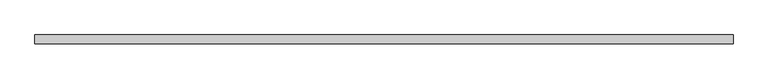
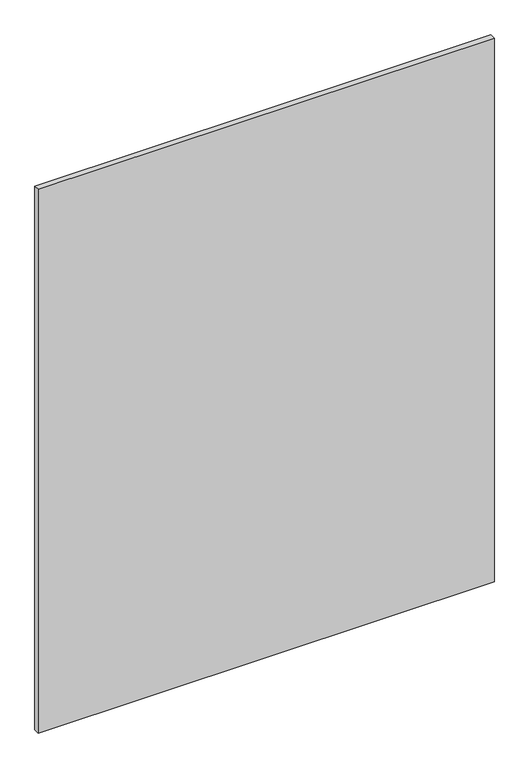
"""IFC4 building model written with IfcOpenShell, lengths in millimetres: plate geometry."""

from ifc_helpers import new_model, si_unit, origin, origin_with_axes, place, context, project, spatial, polyline, outline, extrude, source, transform, mapped, element, save


def plate_cd65cbea(model_context):
    return source(origin(), model_context, "Body", "SweptSolid", [
        extrude(outline(polyline([(699.1158203, -8.73125), (-699.1158203, -8.73125), (-699.1158203, 8.73125), (699.1158203, 8.73125), (699.1158203, -8.73125)])), origin_with_axes(), (0.0, 0.0, 1.0), 1761.3),
    ])


if __name__ == "__main__":
    model = new_model("IFC4")
    model_context = context("Model", 3, world=origin())
    ifc_project = project(units=[si_unit("LENGTHUNIT", "METRE", prefix="MILLI")], contexts=[model_context])
    site = spatial("IfcSite", under=ifc_project)
    building = spatial("IfcBuilding", under=site)
    placement = place(None, origin())
    plate_shape = plate_cd65cbea(model_context)
    element("IfcPlate", 1, at=placement, inside=building, context=model_context, shape_type="MappedRepresentation", body=[
        mapped(plate_shape, transform((0.0, 0.0, 0.0), x_axis=(1.0, 0.0, 0.0), y_axis=(0.0, 1.0, 0.0), z_axis=(0.0, 0.0, 1.0))),
    ])
    save(model, "model.ifc")
